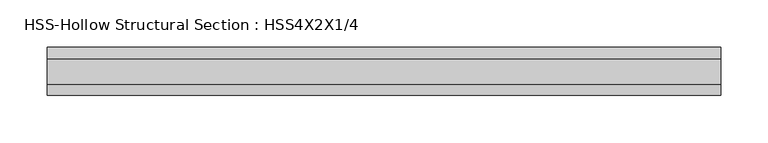
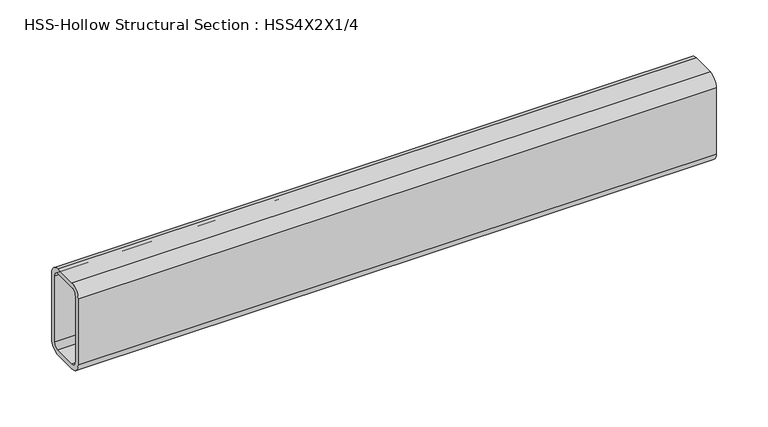
"""IFC4 building model written with IfcOpenShell, lengths in millimetres: beam geometry, HSS-Hollow Structural Section : HSS4X2X1/4."""

from ifc_helpers import new_model, si_unit, point, frame, frame_2d, origin, place, context, project, spatial, polyline, circle_curve, trimmed, segment, composite_curve, outline, extrude, source, transform, mapped, element, save


def hss_hollow_structural_section_hss4x2x1_4_f674f234(model_context):
    return source(origin(), model_context, "Body", "SweptSolid", [
        extrude(outline(composite_curve([segment(polyline([(25.4, 38.9636), (25.4, -38.9636)]), True, "CONTINUOUS"), segment(trimmed(circle_curve(frame_2d((13.5636, -38.9636)), 11.8364), [point((25.4, -38.9636))], [point((13.5636, -50.8))], False, "CARTESIAN"), True, "CONTINUOUS"), segment(polyline([(13.5636, -50.8), (-13.5636, -50.8)]), True, "CONTINUOUS"), segment(trimmed(circle_curve(frame_2d((-13.5636, -38.9636)), 11.8364), [point((-13.5636, -50.8))], [point((-25.4, -38.9636))], False, "CARTESIAN"), True, "CONTINUOUS"), segment(polyline([(-25.4, -38.9636), (-25.4, 38.9636)]), True, "CONTINUOUS"), segment(trimmed(circle_curve(frame_2d((-13.5636, 38.9636)), 11.8364), [point((-25.4, 38.9636))], [point((-13.5636, 50.8))], False, "CARTESIAN"), True, "CONTINUOUS"), segment(polyline([(-13.5636, 50.8), (13.5636, 50.8)]), True, "CONTINUOUS"), segment(trimmed(circle_curve(frame_2d((13.5636, 38.9636)), 11.8364), [point((13.5636, 50.8))], [point((25.4, 38.9636))], False, "CARTESIAN"), True, "CONTINUOUS")], self_intersect=False), holes=[composite_curve([segment(trimmed(circle_curve(frame_2d((-13.5636, 38.9636)), 5.9182), [point((-13.5636, 44.8818))], [point((-19.4818, 38.9636))], True, "CARTESIAN"), True, "CONTINUOUS"), segment(polyline([(-19.4818, 38.9636), (-19.4818, -38.9636)]), True, "CONTINUOUS"), segment(trimmed(circle_curve(frame_2d((-13.5636, -38.9636)), 5.9182), [point((-19.4818, -38.9636))], [point((-13.5636, -44.8818))], True, "CARTESIAN"), True, "CONTINUOUS"), segment(polyline([(-13.5636, -44.8818), (13.5636, -44.8818)]), True, "CONTINUOUS"), segment(trimmed(circle_curve(frame_2d((13.5636, -38.9636)), 5.9182), [point((13.5636, -44.8818))], [point((19.4818, -38.9636))], True, "CARTESIAN"), True, "CONTINUOUS"), segment(polyline([(19.4818, -38.9636), (19.4818, 38.9636)]), True, "CONTINUOUS"), segment(trimmed(circle_curve(frame_2d((13.5636, 38.9636)), 5.9182), [point((19.4818, 38.9636))], [point((13.5636, 44.8818))], True, "CARTESIAN"), True, "CONTINUOUS"), segment(polyline([(13.5636, 44.8818), (-13.5636, 44.8818)]), True, "CONTINUOUS")], self_intersect=False)]), frame((-342.9000006, 0.0, 0.0), z_axis=(1.0, 0.0, 0.0), x_axis=(0.0, 1.0, 0.0)), (0.0, 0.0, 1.0), 711.2000006),
    ])


if __name__ == "__main__":
    model = new_model("IFC4")
    model_context = context("Model", 3, world=origin())
    ifc_project = project(units=[si_unit("LENGTHUNIT", "METRE", prefix="MILLI")], contexts=[model_context])
    site = spatial("IfcSite", under=ifc_project)
    building = spatial("IfcBuilding", under=site)
    placement = place(None, origin())
    hss_hollow_structural_section_hss4x2x1_4_shape = hss_hollow_structural_section_hss4x2x1_4_f674f234(model_context)
    element("IfcBeam", 1, ObjectType="HSS-Hollow Structural Section : HSS4X2X1/4", at=placement, inside=building, context=model_context, shape_type="MappedRepresentation", body=[
        mapped(hss_hollow_structural_section_hss4x2x1_4_shape, transform((0.0, 0.0, 0.0), x_axis=(1.0, 0.0, 0.0), y_axis=(0.0, 1.0, 0.0), z_axis=(0.0, 0.0, 1.0))),
    ])
    save(model, "model.ifc")
